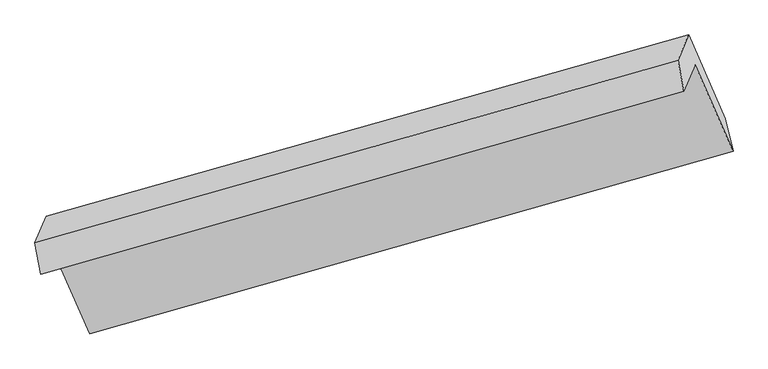
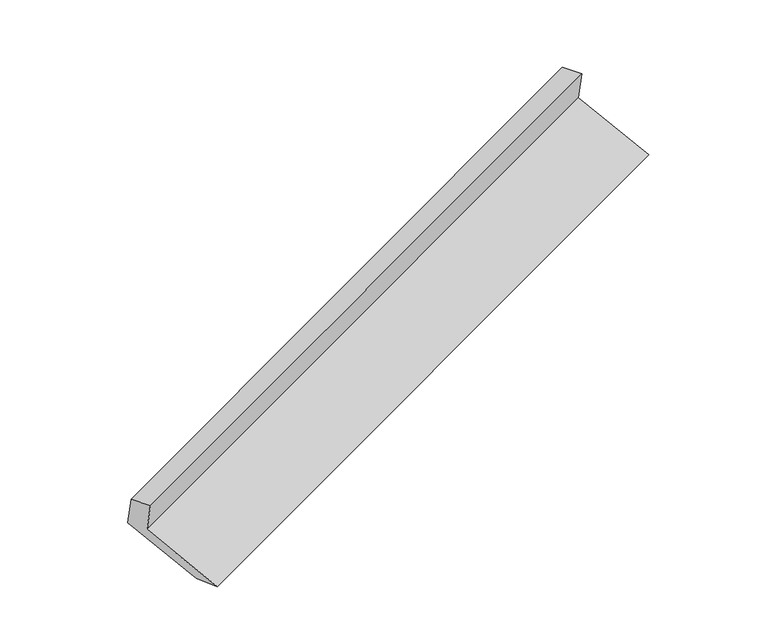
"""IFC4 building model written with IfcOpenShell, lengths in millimetres: proxy geometry."""

from ifc_helpers import new_model, si_unit, frame, origin, place, context, project, spatial, source, transform, mapped, element, save
from ifc_brep_helpers import plane_surface, spline_surface, advanced_brep


def generic_models_74c297c4(model_context):
    return source(origin(), model_context, "Body", "AdvancedBrep", [
        advanced_brep(
        [(-5134.5967533, -2151.906271, 1476.9606093), (-5059.8184256, -1973.1456399, 1133.7291251), (-739.0262815, -746.054226, 2702.6869907), (-813.8046093, -924.8148571, 3045.9184749), (-5174.3760783, -1941.8384669, 1421.968679), (-853.5839343, -714.747053, 2990.9265446), (-5099.5287881, -1762.9129782, 1078.4206581), (-782.531044, -544.8922316, 2664.7947668), (-4851.8045683, -2324.716071, 839.7949016), (-534.8068243, -1106.6953244, 2426.1690104), (-4804.5729996, -2552.0057525, 887.8584027), (-483.7808556, -1324.9143386, 2456.8162684)],
        [
            (0, 1),
            (1, 2),
            (2, 3),
            (3, 0),
            (4, 0),
            (3, 5),
            (5, 4),
            (6, 4),
            (5, 7),
            (7, 6),
            (8, 6),
            (7, 9),
            (9, 8),
            (10, 8),
            (9, 11),
            (11, 10),
            (1, 10),
            (11, 2),
        ],
        [
            plane_surface(frame((-5097.2075894, -2062.5259555, 1305.3448672), z_axis=(0.3741532067441695, -0.8533929576610604, -0.36294605342607394), x_axis=(0.1897199986523972, 0.4535333659431775, -0.870812154306304))),
            plane_surface(frame((-5154.4864158, -2046.872369, 1449.4646441), z_axis=(-0.3780404318264208, 0.16680130625944561, 0.9106386528885297), x_axis=(0.18019260800352502, -0.9515663102303368, 0.2491027524045261))),
            plane_surface(frame((-5136.9524332, -1852.3757226, 1250.1946685), z_axis=(-0.3741532067441713, 0.8533929576610607, 0.36294605342607156), x_axis=(-0.18971999865239506, -0.4535333659431751, 0.8708121543063058))),
            plane_surface(frame((-4975.6666782, -2043.8145246, 959.1077798), z_axis=(0.19162585430567342, 0.4540762140784047, -0.8701116731603156), x_axis=(-0.37606031210533075, 0.8528509915473543, 0.3622482958910034))),
            spline_surface(1, 1, [[(-4804.5729996, -2552.0057525, 887.8584027), (-483.7808556, -1324.9143386, 2456.8162684)], [(-4851.8045683, -2324.716071, 839.7949016), (-534.8068243, -1106.6953244, 2426.1690104)]], [2, 2], [2, 2], [0.0, 1.0], [0.0, 1.0]),
            plane_surface(frame((-4932.1957126, -2262.5756962, 1010.7937639), z_axis=(-0.18781330488384895, -0.4529885142592186, 0.8715087885143973), x_axis=(0.37606031210532226, -0.8528509915473527, -0.3622482958910161))),
            plane_surface(frame((-701.2555915, -893.6863385, 2714.5520093), z_axis=(0.9069646981942466, 0.2587521443252712, 0.33235878811382946), x_axis=(-0.37606031210533075, 0.8528509915473543, 0.3622482958910034))),
            plane_surface(frame((-5020.7829355, -2117.7541966, 1139.7887293), z_axis=(-0.9069646981942604, -0.2587521443252281, -0.33235878811382524), x_axis=(-0.18971999865239209, -0.4535333659432126, 0.8708121543062869))),
        ],
        [
            (0, [[1, 2, 3, 4]]),
            (1, [[5, -4, 6, 7]]),
            (2, [[8, -7, 9, 10]]),
            (3, [[11, -10, 12, 13]]),
            (4, [[14, -13, 15, 16]]),
            (5, [[17, -16, 18, -2]]),
            (6, [[-12, -9, -6, -3, -18, -15]]),
            (7, [[-1, -5, -8, -11, -14, -17]]),
        ],
    ),
    ])


if __name__ == "__main__":
    model = new_model("IFC4")
    model_context = context("Model", 3, world=origin())
    ifc_project = project(units=[si_unit("LENGTHUNIT", "METRE", prefix="MILLI")], contexts=[model_context])
    site = spatial("IfcSite", under=ifc_project)
    building = spatial("IfcBuilding", under=site)
    placement = place(None, origin())
    generic_models_shape = generic_models_74c297c4(model_context)
    element("IfcBuildingElementProxy", 1, Name="Generic Models", at=placement, inside=building, context=model_context, shape_type="MappedRepresentation", body=[
        mapped(generic_models_shape, transform((0.0, 0.0, 0.0), x_axis=(1.0, 0.0, 0.0), y_axis=(0.0, 1.0, 0.0), z_axis=(0.0, 0.0, 1.0))),
    ])
    save(model, "model.ifc")
